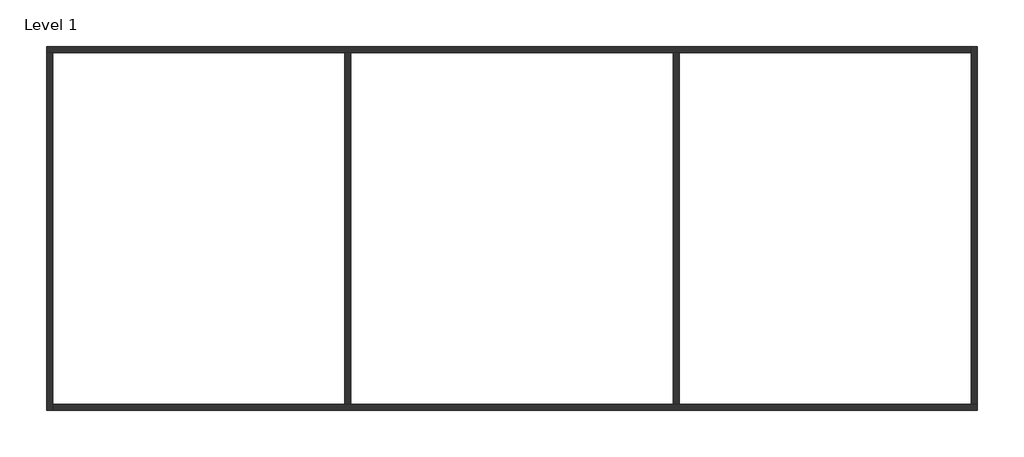
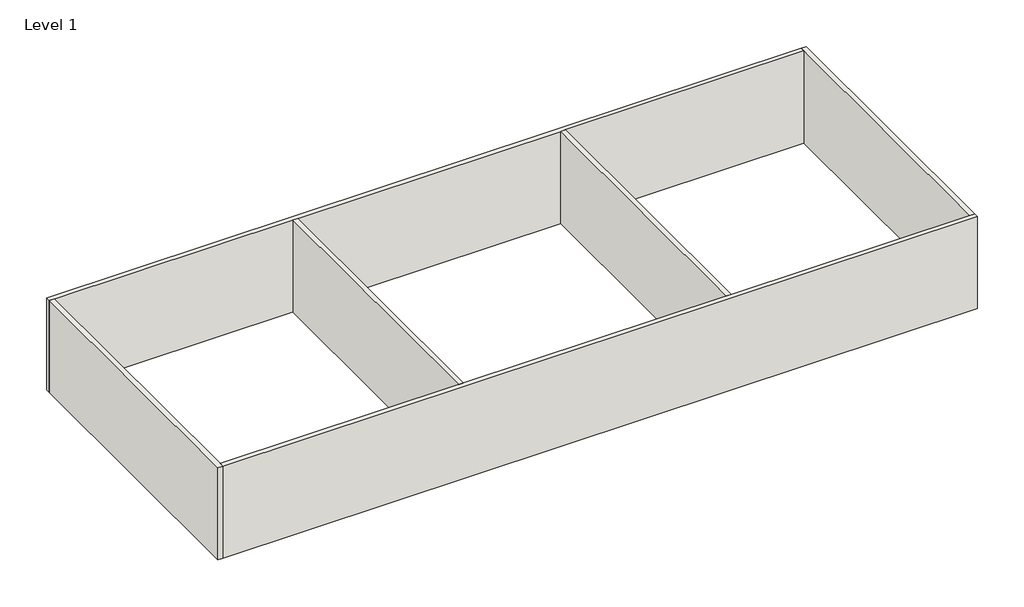
# One storey: 6 walls.
"""IFC4 building model written with IfcOpenShell, lengths in millimetres."""

from ifc_helpers import new_model, si_unit, origin, origin_with_axes, place, context, project, spatial, polyline, outline, extrude, faceted_brep, element, save

model = new_model("IFC4")

# Units and contexts
model_context = context("Model", 3, world=origin())
ifc_project = project(units=[si_unit("LENGTHUNIT", "METRE", prefix="MILLI")], contexts=[model_context])

# Site, building, storey
site = spatial("IfcSite", under=ifc_project)
building = spatial("IfcBuilding", under=site)
storey = spatial("IfcBuildingStorey", under=building, Name="Level 1", Elevation=0.0)

# Walls
placement = place(None, origin())
element("IfcWall", 1, ObjectType="Wall 1", at=placement, inside=storey, context=model_context, shape_type="Brep", body=[
    faceted_brep([(-1303.375523, 4666.0375633, 0.0), (-1103.375523, 4666.0375633, 0.0), (8696.624477, 4666.0375633, 0.0), (8896.624477, 4666.0375633, 0.0), (19696.624477, 4666.0375633, 0.0), (19896.624477, 4666.0375633, 0.0), (29696.624477, 4666.0375633, 0.0), (29696.624477, 4666.0375633, 4000.0), (19896.624477, 4666.0375633, 4000.0), (19696.624477, 4666.0375633, 4000.0), (8896.624477, 4666.0375633, 4000.0), (8696.624477, 4666.0375633, 4000.0), (-1103.375523, 4666.0375633, 4000.0), (-1303.375523, 4666.0375633, 4000.0), (-1303.375523, 4866.0375633, 0.0), (-1303.375523, 4866.0375633, 4000.0), (29696.624477, 4866.0375633, 4000.0), (29696.624477, 4866.0375633, 0.0)], [[[0, 1, 2, 3, 4, 5, 6, 7, 8, 9, 10, 11, 12, 13]], [[14, 15, 16, 17]], [[6, 5, 4, 3, 2, 1, 0, 14, 17]], [[13, 12, 11, 10, 9, 8, 7, 16, 15]], [[0, 13, 15, 14]], [[7, 6, 17, 16]]]),
])
element("IfcWall", 2, ObjectType="Wall 1", at=placement, inside=storey, context=model_context, shape_type="Brep", body=[
    faceted_brep([(-1103.375523, -7333.9624367, 0.0), (-1103.375523, -7133.9624367, 0.0), (-1103.375523, 4666.0375633, 0.0), (-1103.375523, 4666.0375633, 4000.0), (-1103.375523, -7133.9624367, 4000.0), (-1103.375523, -7333.9624367, 4000.0), (-1303.375523, -7333.9624367, 0.0), (-1303.375523, -7333.9624367, 4000.0), (-1303.375523, 4666.0375633, 4000.0), (-1303.375523, 4666.0375633, 0.0)], [[[0, 1, 2, 3, 4, 5]], [[6, 7, 8, 9]], [[2, 1, 0, 6, 9]], [[5, 4, 3, 8, 7]], [[0, 5, 7, 6]], [[3, 2, 9, 8]]]),
])
element("IfcWall", 3, ObjectType="Wall 1", at=placement, inside=storey, context=model_context, shape_type="Brep", body=[
    faceted_brep([(29896.624477, -7133.9624367, 0.0), (29696.624477, -7133.9624367, 0.0), (19896.624477, -7133.9624367, 0.0), (19696.624477, -7133.9624367, 0.0), (8896.624477, -7133.9624367, 0.0), (8696.624477, -7133.9624367, 0.0), (-1103.375523, -7133.9624367, 0.0), (-1103.375523, -7133.9624367, 4000.0), (8696.624477, -7133.9624367, 4000.0), (8896.624477, -7133.9624367, 4000.0), (19696.624477, -7133.9624367, 4000.0), (19896.624477, -7133.9624367, 4000.0), (29696.624477, -7133.9624367, 4000.0), (29896.624477, -7133.9624367, 4000.0), (29896.624477, -7333.9624367, 0.0), (29896.624477, -7333.9624367, 4000.0), (-1103.375523, -7333.9624367, 4000.0), (-1103.375523, -7333.9624367, 0.0)], [[[0, 1, 2, 3, 4, 5, 6, 7, 8, 9, 10, 11, 12, 13]], [[14, 15, 16, 17]], [[6, 5, 4, 3, 2, 1, 0, 14, 17]], [[13, 12, 11, 10, 9, 8, 7, 16, 15]], [[0, 13, 15, 14]], [[7, 6, 17, 16]]]),
])
element("IfcWall", 4, ObjectType="Wall 1", at=placement, inside=storey, context=model_context, shape_type="Brep", body=[
    faceted_brep([(29696.624477, 4866.0375633, 0.0), (29696.624477, 4666.0375633, 0.0), (29696.624477, -7133.9624367, 0.0), (29696.624477, -7133.9624367, 4000.0), (29696.624477, 4666.0375633, 4000.0), (29696.624477, 4866.0375633, 4000.0), (29896.624477, 4866.0375633, 0.0), (29896.624477, 4866.0375633, 4000.0), (29896.624477, -7133.9624367, 4000.0), (29896.624477, -7133.9624367, 0.0)], [[[0, 1, 2, 3, 4, 5]], [[6, 7, 8, 9]], [[2, 1, 0, 6, 9]], [[5, 4, 3, 8, 7]], [[0, 5, 7, 6]], [[3, 2, 9, 8]]]),
])
element("IfcWall", 5, ObjectType="Wall 1", at=placement, inside=storey, context=model_context, shape_type="SweptSolid", body=[
    extrude(outline(polyline([(8696.624477, -7133.9624367), (8696.624477, 4666.0375633), (8896.624477, 4666.0375633), (8896.624477, -7133.9624367), (8696.624477, -7133.9624367)])), origin_with_axes(), (0.0, 0.0, 1.0), 4000.0),
])
element("IfcWall", 6, ObjectType="Wall 1", at=placement, inside=storey, context=model_context, shape_type="SweptSolid", body=[
    extrude(outline(polyline([(19696.624477, -7133.9624367), (19696.624477, 4666.0375633), (19896.624477, 4666.0375633), (19896.624477, -7133.9624367), (19696.624477, -7133.9624367)])), origin_with_axes(), (0.0, 0.0, 1.0), 4000.0),
])

save(model, "model.ifc")
